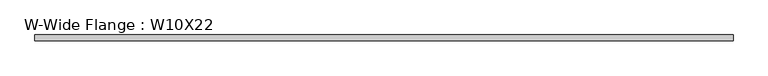
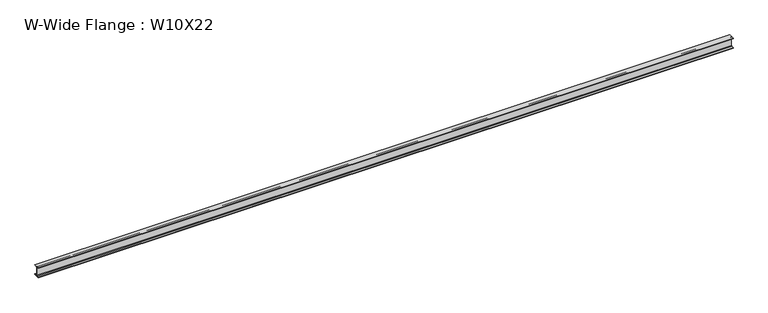
"""IFC4 building model written with IfcOpenShell, lengths in millimetres: beam geometry, W-Wide Flange : W10X22."""

from ifc_helpers import new_model, si_unit, point, frame, frame_2d, origin, place, context, project, spatial, polyline, circle_curve, trimmed, segment, composite_curve, outline, extrude, source, transform, mapped, element, save


def w_wide_flange_w10x22_421ee1d6(model_context):
    return source(origin(), model_context, "Body", "SweptSolid", [
        extrude(outline(composite_curve([segment(polyline([(73.025, -120.396), (73.025, -129.54), (-73.025, -129.54), (-73.025, -120.396), (-17.7165, -120.396)]), True, "CONTINUOUS"), segment(trimmed(circle_curve(frame_2d((-17.7165, -105.7275)), 14.6685), [point((-17.7165, -120.396))], [point((-3.048, -105.7275))], True, "CARTESIAN"), True, "CONTINUOUS"), segment(polyline([(-3.048, -105.7275), (-3.048, 105.7275)]), True, "CONTINUOUS"), segment(trimmed(circle_curve(frame_2d((-17.7165, 105.7275)), 14.6685), [point((-3.048, 105.7275))], [point((-17.7165, 120.396))], True, "CARTESIAN"), True, "CONTINUOUS"), segment(polyline([(-17.7165, 120.396), (-73.025, 120.396), (-73.025, 129.54), (73.025, 129.54), (73.025, 120.396), (17.7165, 120.396)]), True, "CONTINUOUS"), segment(trimmed(circle_curve(frame_2d((17.7165, 105.7275)), 14.6685), [point((17.7165, 120.396))], [point((3.048, 105.7275))], True, "CARTESIAN"), True, "CONTINUOUS"), segment(polyline([(3.048, 105.7275), (3.048, -105.7275)]), True, "CONTINUOUS"), segment(trimmed(circle_curve(frame_2d((17.7165, -105.7275)), 14.6685), [point((3.048, -105.7275))], [point((17.7165, -120.396))], True, "CARTESIAN"), True, "CONTINUOUS"), segment(polyline([(17.7165, -120.396), (73.025, -120.396)]), True, "CONTINUOUS")], self_intersect=False)), frame((-8636.0, 0.0, 0.0), z_axis=(1.0, 0.0, 0.0), x_axis=(0.0, 1.0, 0.0)), (0.0, 0.0, 1.0), 17399.0),
    ])


if __name__ == "__main__":
    model = new_model("IFC4")
    model_context = context("Model", 3, world=origin())
    ifc_project = project(units=[si_unit("LENGTHUNIT", "METRE", prefix="MILLI")], contexts=[model_context])
    site = spatial("IfcSite", under=ifc_project)
    building = spatial("IfcBuilding", under=site)
    placement = place(None, origin())
    w_wide_flange_w10x22_shape = w_wide_flange_w10x22_421ee1d6(model_context)
    element("IfcBeam", 1, ObjectType="W-Wide Flange : W10X22", at=placement, inside=building, context=model_context, shape_type="MappedRepresentation", body=[
        mapped(w_wide_flange_w10x22_shape, transform((0.0, 0.0, 0.0), x_axis=(1.0, 0.0, 0.0), y_axis=(0.0, 1.0, 0.0), z_axis=(0.0, 0.0, 1.0))),
    ])
    save(model, "model.ifc")
